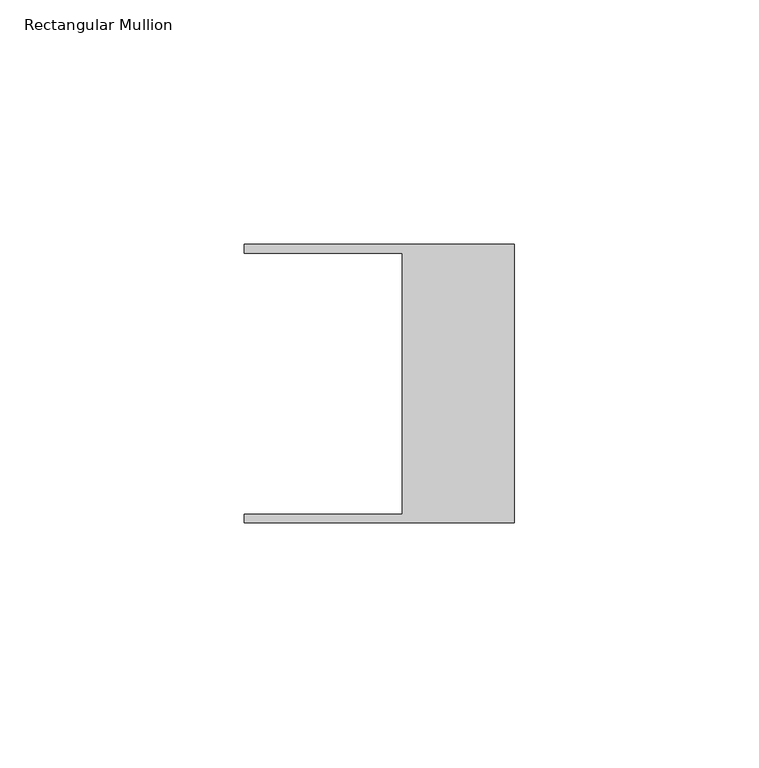
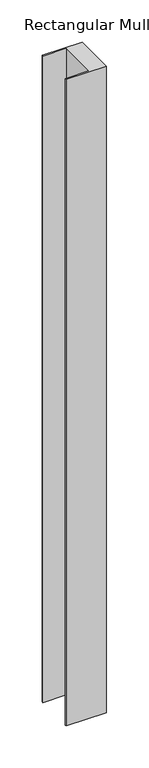
"""IFC4 building model written with IfcOpenShell, lengths in millimetres: member geometry, Rectangular Mullion."""

from ifc_helpers import new_model, si_unit, frame, origin, place, context, project, spatial, polyline, outline, extrude, source, transform, mapped, element, save


def rectangular_mullion_7a6d06cd(model_context):
    return source(origin(), model_context, "Body", "SweptSolid", [
        extrude(outline(polyline([(-55.118, 26.67), (-55.118, 28.448), (0.0, 28.448), (0.0, -28.448), (-55.118, -28.448), (-55.118, -26.67), (-22.86, -26.67), (-22.86, 26.67), (-55.118, 26.67)])), frame((0.0, 0.0, -935.8043061), z_axis=(0.0, 0.0, 1.0), x_axis=(1.0, 0.0, 0.0)), (0.0, 0.0, 1.0), 935.8043061),
    ])


if __name__ == "__main__":
    model = new_model("IFC4")
    model_context = context("Model", 3, world=origin())
    ifc_project = project(units=[si_unit("LENGTHUNIT", "METRE", prefix="MILLI")], contexts=[model_context])
    site = spatial("IfcSite", under=ifc_project)
    building = spatial("IfcBuilding", under=site)
    placement = place(None, origin())
    rectangular_mullion_shape = rectangular_mullion_7a6d06cd(model_context)
    element("IfcMember", 1, ObjectType="Rectangular Mullion", at=placement, inside=building, context=model_context, shape_type="MappedRepresentation", body=[
        mapped(rectangular_mullion_shape, transform((0.0, 0.0, 0.0), x_axis=(1.0, 0.0, 0.0), y_axis=(0.0, 1.0, 0.0), z_axis=(0.0, 0.0, 1.0))),
    ])
    save(model, "model.ifc")
